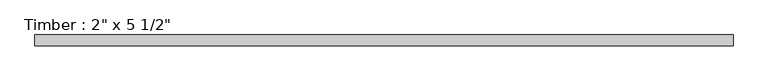
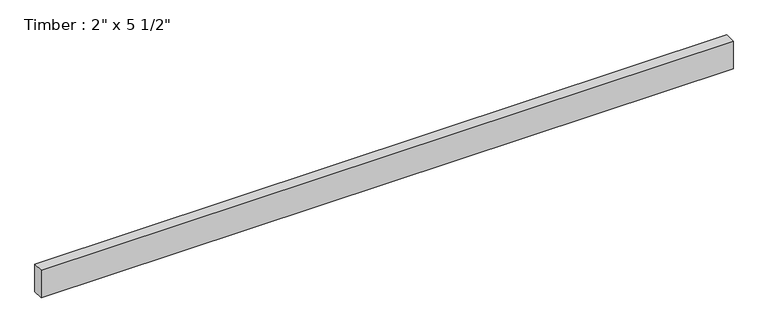
"""IFC4 building model written with IfcOpenShell, lengths in millimetres: beam geometry."""

from ifc_helpers import new_model, si_unit, frame, origin, place, context, project, spatial, polyline, outline, extrude, source, transform, mapped, element, save


def beam_63b4afce(model_context):
    return source(origin(), model_context, "Body", "SweptSolid", [
        extrude(outline(polyline([(1650.0458684, 25.4), (1650.0458684, -25.4), (-1650.0458684, -25.4), (-1650.0458684, 25.4), (1650.0458684, 25.4)])), frame((0.0, 0.0, -69.85), z_axis=(0.0, 0.0, 1.0), x_axis=(1.0, 0.0, 0.0)), (0.0, 0.0, 1.0), 139.7),
    ])


if __name__ == "__main__":
    model = new_model("IFC4")
    model_context = context("Model", 3, world=origin())
    ifc_project = project(units=[si_unit("LENGTHUNIT", "METRE", prefix="MILLI")], contexts=[model_context])
    site = spatial("IfcSite", under=ifc_project)
    building = spatial("IfcBuilding", under=site)
    placement = place(None, origin())
    beam_shape = beam_63b4afce(model_context)
    element("IfcBeam", 1, ObjectType="Timber : 2\" x 5 1/2\"", at=placement, inside=building, context=model_context, shape_type="MappedRepresentation", body=[
        mapped(beam_shape, transform((0.0, 0.0, 0.0), x_axis=(1.0, 0.0, 0.0), y_axis=(0.0, 1.0, 0.0), z_axis=(0.0, 0.0, 1.0))),
    ])
    save(model, "model.ifc")
